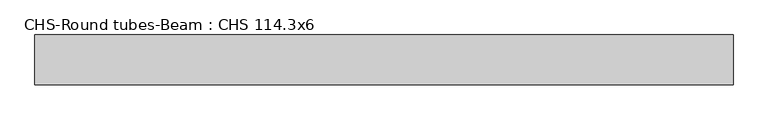
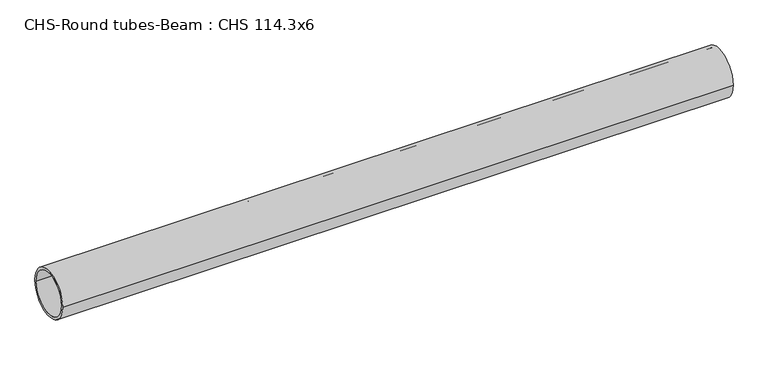
"""IFC4 building model written with IfcOpenShell, lengths in millimetres: beam geometry, CHS-Round tubes-Beam : CHS 114.3x6."""

from ifc_helpers import new_model, si_unit, point, frame, origin, origin_2d, place, context, project, spatial, circle_curve, trimmed, segment, composite_curve, outline, extrude, source, transform, mapped, element, save


def chs_round_tubes_beam_chs_114_3x6_3edc938c(model_context):
    return source(origin(), model_context, "Body", "SweptSolid", [
        extrude(outline(composite_curve([segment(trimmed(circle_curve(origin_2d(), 57.15), [point((57.15, 0.0))], [point((-57.15, 0.0))], False, "CARTESIAN"), True, "CONTINUOUS"), segment(trimmed(circle_curve(origin_2d(), 57.15), [point((-57.15, 0.0))], [point((57.15, 0.0))], False, "CARTESIAN"), True, "CONTINUOUS")], self_intersect=False), holes=[composite_curve([segment(trimmed(circle_curve(origin_2d(), 51.15), [point((51.15, 0.0))], [point((-51.15, 0.0))], True, "CARTESIAN"), True, "CONTINUOUS"), segment(trimmed(circle_curve(origin_2d(), 51.15), [point((-51.15, 0.0))], [point((51.15, 0.0))], True, "CARTESIAN"), True, "CONTINUOUS")], self_intersect=False)]), frame((-790.1352021, 0.0, 0.0), z_axis=(1.0, 0.0, 0.0), x_axis=(0.0, 1.0, 0.0)), (0.0, 0.0, 1.0), 1594.5772199),
    ])


if __name__ == "__main__":
    model = new_model("IFC4")
    model_context = context("Model", 3, world=origin())
    ifc_project = project(units=[si_unit("LENGTHUNIT", "METRE", prefix="MILLI")], contexts=[model_context])
    site = spatial("IfcSite", under=ifc_project)
    building = spatial("IfcBuilding", under=site)
    placement = place(None, origin())
    chs_round_tubes_beam_chs_114_3x6_shape = chs_round_tubes_beam_chs_114_3x6_3edc938c(model_context)
    element("IfcBeam", 1, ObjectType="CHS-Round tubes-Beam : CHS 114.3x6", at=placement, inside=building, context=model_context, shape_type="MappedRepresentation", body=[
        mapped(chs_round_tubes_beam_chs_114_3x6_shape, transform((0.0, 0.0, 0.0), x_axis=(1.0, 0.0, 0.0), y_axis=(0.0, 1.0, 0.0), z_axis=(0.0, 0.0, 1.0))),
    ])
    save(model, "model.ifc")
